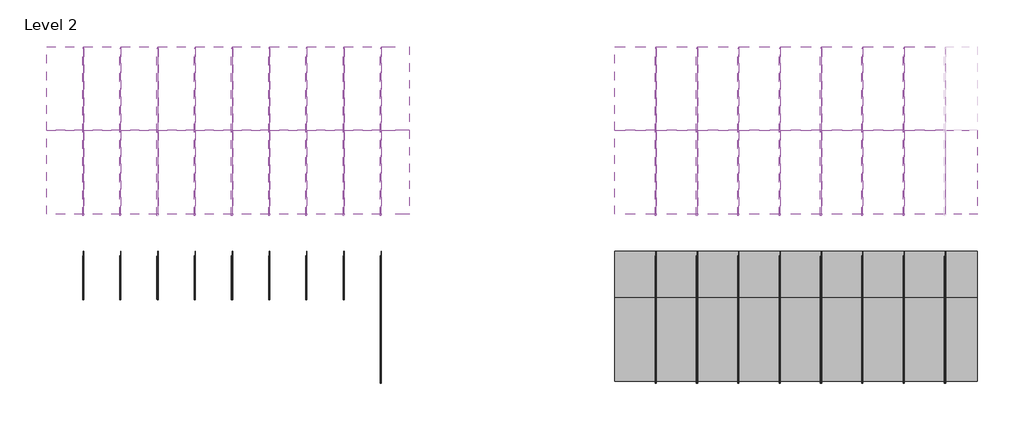
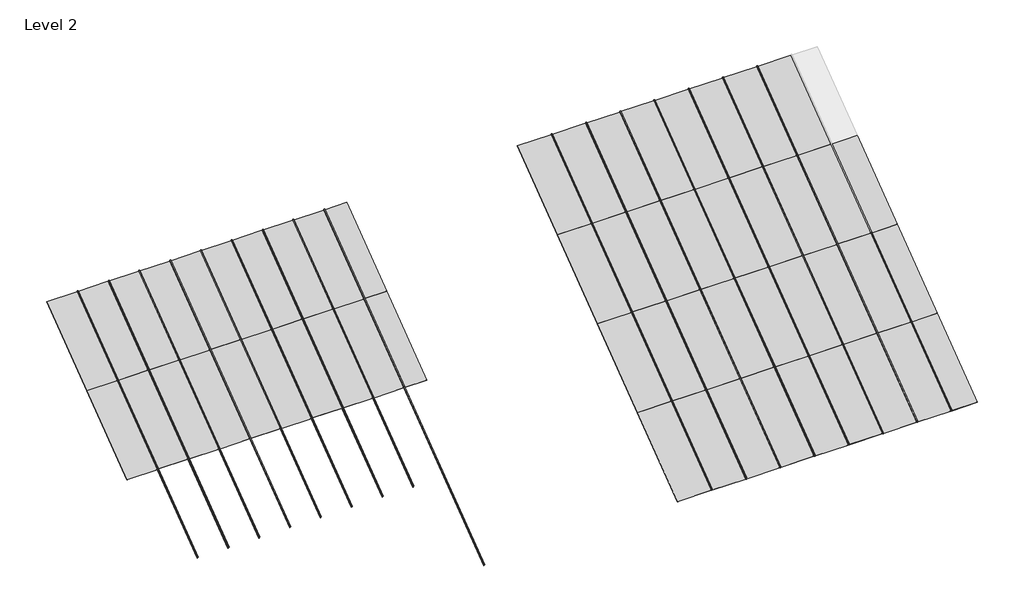
# One storey, part 41 of 177: 58 members, 55 plates.
"""IFC4 building model written with IfcOpenShell, lengths in millimetres."""

import ifcopenshell
import ifcopenshell.guid

model = None  # the IFC model being written
_history = None  # IfcOwnerHistory: only IFC2X3 demands one
_inside = {}  # id of a spatial element -> (the spatial element, [elements in it])
_under = {}  # id of a project, library or spatial element -> (it, [spatial elements below it])
_declared = {}  # id of a project -> (the project, [libraries it declares])
_typed = {}  # id of a type object -> (the type object, [elements of that type])
_made_of = {}  # id of a material, layer set ... -> (it, [elements and type objects made of it])


def new_model(schema):
    """Start an empty IFC model of exactly this schema.

    Asked for "IFC4X3", IfcOpenShell would pick the latest addendum, in which some entities
    have other attributes; the version numbers below select the first issue.
    IFC2X3 requires an IfcOwnerHistory on every rooted entity: one is made here for all.
    """
    global model, _history
    if schema == "IFC4X3":
        model = ifcopenshell.file(schema_version=(4, 3, 0, 0))
    else:
        model = ifcopenshell.file(schema=schema)
    _inside.clear()
    _under.clear()
    _declared.clear()
    _typed.clear()
    _made_of.clear()
    _history = None
    if model.schema == "IFC2X3":
        org = make("IfcOrganization", Name="unknown")
        user = make(
            "IfcPersonAndOrganization",
            ThePerson=make("IfcPerson", FamilyName="unknown"),
            TheOrganization=org,
        )
        app = make(
            "IfcApplication",
            ApplicationDeveloper=org,
            Version="unknown",
            ApplicationFullName="unknown",
            ApplicationIdentifier="unknown",
        )
        _history = make(
            "IfcOwnerHistory",
            OwningUser=user,
            OwningApplication=app,
            ChangeAction="ADDED",
            CreationDate=0,
        )
    return model


def make(cls, **values):
    """One entity of the class cls with the attributes given. An attribute that is None is left unset."""
    return model.create_entity(
        cls, **{name: value for name, value in values.items() if value is not None}
    )


def rooted(cls, **values):
    """An entity with a GlobalId (a new one), such as an element, a storey or a relation."""
    return make(cls, GlobalId=ifcopenshell.guid.new(), OwnerHistory=_history, **values)


def si_unit(unit_type, name, prefix=None):
    """IfcSIUnit, for example si_unit("LENGTHUNIT", "METRE", prefix="MILLI")."""
    return make("IfcSIUnit", UnitType=unit_type, Prefix=prefix, Name=name)


def assignment(units):
    """IfcUnitAssignment: the units of a project."""
    return None if units is None else make("IfcUnitAssignment", Units=units)


def point(xyz):
    """IfcCartesianPoint."""
    return None if xyz is None else make("IfcCartesianPoint", Coordinates=xyz)


def direction(xyz):
    """IfcDirection."""
    return None if xyz is None else make("IfcDirection", DirectionRatios=xyz)


def frame(location, z_axis=None, x_axis=None):
    """IfcAxis2Placement3D, a coordinate frame: its origin and axes. An axis left out is left unset."""
    return make(
        "IfcAxis2Placement3D",
        Location=point(location),
        Axis=direction(z_axis),
        RefDirection=direction(x_axis),
    )


def frame_2d(location, x_axis=None):
    """IfcAxis2Placement2D, a coordinate frame in the plane: its origin and x axis."""
    return make(
        "IfcAxis2Placement2D", Location=point(location), RefDirection=direction(x_axis)
    )


def origin():
    """The frame at (0, 0, 0) with its axes left unset."""
    return frame((0.0, 0.0, 0.0))


def origin_with_axes():
    """The frame at (0, 0, 0) with the z axis (0, 0, 1) and the x axis (1, 0, 0) written out."""
    return frame((0.0, 0.0, 0.0), z_axis=(0.0, 0.0, 1.0), x_axis=(1.0, 0.0, 0.0))


def place(relative_to, where):
    """IfcLocalPlacement: puts the frame where relative to a parent placement (None: the world)."""
    return make(
        "IfcLocalPlacement", PlacementRelTo=relative_to, RelativePlacement=where
    )


def context(
    kind, dimensions, precision=None, world=None, true_north=None, identifier=None
):
    """IfcGeometricRepresentationContext, for example the 3D "Model" context."""
    return make(
        "IfcGeometricRepresentationContext",
        ContextIdentifier=identifier,
        ContextType=kind,
        CoordinateSpaceDimension=dimensions,
        Precision=precision,
        WorldCoordinateSystem=world,
        TrueNorth=true_north,
    )


def project(units=None, contexts=None):
    """IfcProject with its units and contexts."""
    return rooted(
        "IfcProject",
        Name="project",
        RepresentationContexts=contexts,
        UnitsInContext=assignment(units),
    )


def spatial(cls, under=None, at=None, **own):
    """A site, building, storey or space (cls), placed at a placement, below another one or the project."""
    s = rooted(cls, ObjectPlacement=at, **own)
    if under is not None:
        _under.setdefault(under.id(), (under, []))[1].append(s)
    return s


def polyline(points):
    """IfcPolyline through the points."""
    return make("IfcPolyline", Points=[point(p) for p in points])


def circle_curve(where, radius):
    """IfcCircle in the frame where."""
    return make("IfcCircle", Position=where, Radius=radius)


def trimmed(basis, trim1, trim2, sense, master):
    """IfcTrimmedCurve: the piece of a basis curve between two trims."""
    return make(
        "IfcTrimmedCurve",
        BasisCurve=basis,
        Trim1=trim1,
        Trim2=trim2,
        SenseAgreement=sense,
        MasterRepresentation=master,
    )


def segment(curve, same_sense, transition):
    """IfcCompositeCurveSegment."""
    return make(
        "IfcCompositeCurveSegment",
        Transition=transition,
        SameSense=same_sense,
        ParentCurve=curve,
    )


def composite_curve(segments, self_intersect=None):
    """IfcCompositeCurve: segments joined end to end."""
    return make("IfcCompositeCurve", Segments=segments, SelfIntersect=self_intersect)


def outline(outer, holes=None, kind="AREA"):
    """IfcArbitraryClosedProfileDef: a profile drawn as a closed curve; with holes, ...WithVoids."""
    if holes is None:
        return make("IfcArbitraryClosedProfileDef", ProfileType=kind, OuterCurve=outer)
    return make(
        "IfcArbitraryProfileDefWithVoids",
        ProfileType=kind,
        OuterCurve=outer,
        InnerCurves=holes,
    )


def extrude(swept, where, along, depth):
    """IfcExtrudedAreaSolid: the profile swept, set in the frame where, extruded along a direction by depth."""
    return make(
        "IfcExtrudedAreaSolid",
        SweptArea=swept,
        Position=where,
        ExtrudedDirection=direction(along),
        Depth=depth,
    )


def shape(context_of_items, identifier, shape_type, items):
    """IfcShapeRepresentation: the items that make up one representation, for example the "Body"."""
    return make(
        "IfcShapeRepresentation",
        ContextOfItems=context_of_items,
        RepresentationIdentifier=identifier,
        RepresentationType=shape_type,
        Items=items,
    )


def source(mapping_origin, context_of_items, identifier, shape_type, items):
    """IfcRepresentationMap: a shape defined once, which mapped items show again and again."""
    return make(
        "IfcRepresentationMap",
        MappingOrigin=mapping_origin,
        MappedRepresentation=shape(context_of_items, identifier, shape_type, items),
    )


def transform(
    local_origin,
    x_axis=None,
    y_axis=None,
    z_axis=None,
    scale=None,
    scale2=None,
    scale3=None,
    uniform=True,
):
    """IfcCartesianTransformationOperator3D, or its non-uniform kind. x_axis, y_axis, z_axis: its Axis1, 2, 3."""
    if uniform:
        return make(
            "IfcCartesianTransformationOperator3D",
            Axis1=direction(x_axis),
            Axis2=direction(y_axis),
            LocalOrigin=point(local_origin),
            Scale=scale,
            Axis3=direction(z_axis),
        )
    return make(
        "IfcCartesianTransformationOperator3DnonUniform",
        Axis1=direction(x_axis),
        Axis2=direction(y_axis),
        LocalOrigin=point(local_origin),
        Scale=scale,
        Axis3=direction(z_axis),
        Scale2=scale2,
        Scale3=scale3,
    )


def mapped(mapping_source, mapping_target):
    """IfcMappedItem: shows the shape of a source again, moved by a transform."""
    return make(
        "IfcMappedItem", MappingSource=mapping_source, MappingTarget=mapping_target
    )


def made_of(thing, what):
    """Note that an element or type object is made of a material, layer set ...; save() writes the relation."""
    if what is not None:
        _made_of.setdefault(what.id(), (what, []))[1].append(thing)
    return thing


def element(
    cls,
    number,
    at=None,
    inside=None,
    cuts=None,
    type_object=None,
    material=None,
    context=None,
    identifier="Body",
    shape_type=None,
    held_by="IfcProductDefinitionShape",
    body=None,
    shapes=None,
    **own,
):
    """One element of the class cls, such as IfcWall. Its Tag is "e" and its number.

    at: its placement. inside: the storey or other place that contains it. cuts: it is an
    opening in that element (IfcRelVoidsElement). A single representation is given by context,
    identifier, shape_type and body (its items); several are given by shapes. held_by: the class
    of the entity that holds the representations. save() writes the other relations.
    """
    e = rooted(cls, Tag="e%d" % number, ObjectPlacement=at, **own)
    if body is not None:
        shapes = [shape(context, identifier, shape_type, body)]
    if shapes is not None:
        e.Representation = make(held_by, Representations=shapes)
    if inside is not None:
        _inside.setdefault(inside.id(), (inside, []))[1].append(e)
    if cuts is not None:
        rooted(
            "IfcRelVoidsElement", RelatingBuildingElement=cuts, RelatedOpeningElement=e
        )
    if type_object is not None:
        _typed.setdefault(type_object.id(), (type_object, []))[1].append(e)
    return made_of(e, material)


def aggregate(whole, parts):
    """IfcRelAggregates: a whole, such as a stair, and the parts it consists of."""
    return rooted("IfcRelAggregates", RelatingObject=whole, RelatedObjects=parts)


def save(model, path):
    """Write the relations noted so far, then the file.

    IfcRelAggregates (storeys below a building ...), IfcRelContainedInSpatialStructure (elements
    in a storey), IfcRelDefinesByType, IfcRelAssociatesMaterial and IfcRelDeclares: one each for
    every whole, place, type object, material and project.
    """
    for whole, parts in _under.values():
        aggregate(whole, parts)
    for where, things in _inside.values():
        rooted(
            "IfcRelContainedInSpatialStructure",
            RelatedElements=things,
            RelatingStructure=where,
        )
    for kind, things in _typed.values():
        rooted("IfcRelDefinesByType", RelatedObjects=things, RelatingType=kind)
    for what, things in _made_of.values():
        rooted("IfcRelAssociatesMaterial", RelatedObjects=things, RelatingMaterial=what)
    for by, libraries in _declared.values():
        rooted("IfcRelDeclares", RelatingContext=by, RelatedDefinitions=libraries)
    model.write(path)


def rectangular_mullion_59d29c64(model_context):
    return source(origin(), model_context, "Body", "SweptSolid", [
        extrude(outline(composite_curve([segment(polyline([(-1.651, -33.918525), (-1.651, 0.396875), (1.778, 0.396875), (1.778, -36.458525)]), True, "CONTINUOUS"), segment(trimmed(circle_curve(frame_2d((-0.762, -36.458525)), 2.54), [point((1.778, -36.458525))], [point((-0.762, -38.998525))], False, "CARTESIAN"), True, "CONTINUOUS"), segment(polyline([(-0.762, -38.998525), (-10.16, -38.998525)]), True, "CONTINUOUS"), segment(trimmed(circle_curve(frame_2d((-10.16, -36.458525)), 2.54), [point((-10.16, -38.998525))], [point((-10.16, -33.918525))], False, "CARTESIAN"), True, "CONTINUOUS"), segment(polyline([(-10.16, -33.918525), (-1.651, -33.918525)]), True, "CONTINUOUS")], self_intersect=False)), frame((0.0, 0.0, -1285.875), z_axis=(0.0, 0.0, 1.0), x_axis=(1.0, 0.0, 0.0)), (0.0, 0.0, 1.0), 1285.875),
    ])


def system_panel_9b4cd433(model_context):
    return source(origin(), model_context, "Body", "SweptSolid", [
        extrude(outline(polyline([(195.5165, -0.2480469), (-195.5165, -0.2480469), (-195.5165, 0.2480469), (195.5165, 0.2480469), (195.5165, -0.2480469)])), origin_with_axes(), (0.0, 0.0, 1.0), 1285.875),
    ])


def system_panel_8a7700cc(model_context):
    return source(origin(), model_context, "Body", "SweptSolid", [
        extrude(outline(polyline([(226.9490002, -0.2480469), (-226.9490002, -0.2480469), (-226.9490002, 0.2480469), (226.9490002, 0.2480469), (226.9490002, -0.2480469)])), origin_with_axes(), (0.0, 0.0, 1.0), 1285.875),
    ])


def system_panel_4355e656(model_context):
    return source(origin(), model_context, "Body", "SweptSolid", [
        extrude(outline(polyline([(226.8855, -0.2480469), (-226.8855, -0.2480469), (-226.8855, 0.2480469), (226.8855, 0.2480469), (226.8855, -0.2480469)])), origin_with_axes(), (0.0, 0.0, 1.0), 1285.875),
    ])


def system_panel_11a4934e(model_context):
    return source(origin(), model_context, "Body", "SweptSolid", [
        extrude(outline(polyline([(170.1165, -0.2480469), (-170.1165, -0.2480469), (-170.1165, 0.2480469), (170.1165, 0.2480469), (170.1165, -0.2480469)])), origin_with_axes(), (0.0, 0.0, 1.0), 1285.875),
    ])


def system_panel_8caa74b3(model_context):
    return source(origin(), model_context, "Body", "SweptSolid", [
        extrude(outline(polyline([(252.3490002, -0.2480469), (-252.3490002, -0.2480469), (-252.3490002, 0.2480469), (252.3490002, 0.2480469), (252.3490002, -0.2480469)])), origin_with_axes(), (0.0, 0.0, 1.0), 1285.875),
    ])


def system_panel_01006fc9(model_context):
    return source(origin(), model_context, "Body", "SweptSolid", [
        extrude(outline(polyline([(252.2855, -0.2480469), (-252.2855, -0.2480469), (-252.2855, 0.2480469), (252.2855, 0.2480469), (252.2855, -0.2480469)])), origin_with_axes(), (0.0, 0.0, 1.0), 1285.875),
    ])


model = new_model("IFC4")

# Units and contexts
model_context = context("Model", 3, world=origin())
ifc_project = project(units=[si_unit("LENGTHUNIT", "METRE", prefix="MILLI")], contexts=[model_context])

# Site, building, storey
site = spatial("IfcSite", under=ifc_project)
building = spatial("IfcBuilding", under=site)
storey = spatial("IfcBuildingStorey", under=building, Name="Level 2", Elevation=3048.0)

# Members
placement = place(None, origin())
rectangular_mullion_shape = rectangular_mullion_59d29c64(model_context)
element("IfcMember", 1, ObjectType="Rectangular Mullion", at=placement, inside=storey, context=model_context, shape_type="MappedRepresentation", body=[
    mapped(rectangular_mullion_shape, transform((145668.0738425, 38963.0083739, 6134.1), x_axis=(1.0, 0.0, 0.0), y_axis=(0.0, 0.6000000000000011, -0.7999999999999992), z_axis=(0.0, 0.7999999999999992, 0.6000000000000011))),
])
element("IfcMember", 2, ObjectType="Rectangular Mullion", at=placement, inside=storey, context=model_context, shape_type="MappedRepresentation", body=[
    mapped(rectangular_mullion_shape, transform((146125.2738425, 38963.0083739, 6134.1), x_axis=(1.0, 0.0, 0.0), y_axis=(0.0, 0.6000000000000011, -0.7999999999999992), z_axis=(0.0, 0.7999999999999992, 0.6000000000000011))),
])
element("IfcMember", 3, ObjectType="Rectangular Mullion", at=placement, inside=storey, context=model_context, shape_type="MappedRepresentation", body=[
    mapped(rectangular_mullion_shape, transform((146582.4738425, 38963.0083739, 6134.1), x_axis=(1.0, 0.0, 0.0), y_axis=(0.0, 0.6000000000000011, -0.7999999999999992), z_axis=(0.0, 0.7999999999999992, 0.6000000000000011))),
])
element("IfcMember", 4, ObjectType="Rectangular Mullion", at=placement, inside=storey, context=model_context, shape_type="MappedRepresentation", body=[
    mapped(rectangular_mullion_shape, transform((147039.6738425, 38963.0083739, 6134.1), x_axis=(1.0, 0.0, 0.0), y_axis=(0.0, 0.6000000000000011, -0.7999999999999992), z_axis=(0.0, 0.7999999999999992, 0.6000000000000011))),
])
element("IfcMember", 5, ObjectType="Rectangular Mullion", at=placement, inside=storey, context=model_context, shape_type="MappedRepresentation", body=[
    mapped(rectangular_mullion_shape, transform((147496.8738425, 38963.0083739, 6134.1), x_axis=(1.0, 0.0, 0.0), y_axis=(0.0, 0.6000000000000011, -0.7999999999999992), z_axis=(0.0, 0.7999999999999992, 0.6000000000000011))),
])
element("IfcMember", 6, ObjectType="Rectangular Mullion", at=placement, inside=storey, context=model_context, shape_type="MappedRepresentation", body=[
    mapped(rectangular_mullion_shape, transform((147954.0738425, 38963.0083739, 6134.1), x_axis=(1.0, 0.0, 0.0), y_axis=(0.0, 0.6000000000000011, -0.7999999999999992), z_axis=(0.0, 0.7999999999999992, 0.6000000000000011))),
])
element("IfcMember", 7, ObjectType="Rectangular Mullion", at=placement, inside=storey, context=model_context, shape_type="MappedRepresentation", body=[
    mapped(rectangular_mullion_shape, transform((148411.2738425, 38963.0083739, 6134.1), x_axis=(1.0, 0.0, 0.0), y_axis=(0.0, 0.6000000000000011, -0.7999999999999992), z_axis=(0.0, 0.7999999999999992, 0.6000000000000011))),
])
element("IfcMember", 8, ObjectType="Rectangular Mullion", at=placement, inside=storey, context=model_context, shape_type="MappedRepresentation", body=[
    mapped(rectangular_mullion_shape, transform((148868.4738425, 38963.0083739, 6134.1), x_axis=(1.0, 0.0, 0.0), y_axis=(0.0, 0.6000000000000011, -0.7999999999999992), z_axis=(0.0, 0.7999999999999992, 0.6000000000000011))),
])
element("IfcMember", 9, ObjectType="Rectangular Mullion", at=placement, inside=storey, context=model_context, shape_type="MappedRepresentation", body=[
    mapped(rectangular_mullion_shape, transform((149325.6738425, 38963.0083739, 6134.1), x_axis=(1.0, 0.0, 0.0), y_axis=(0.0, 0.6000000000000011, -0.7999999999999992), z_axis=(0.0, 0.7999999999999992, 0.6000000000000011))),
])
element("IfcMember", 10, ObjectType="Rectangular Mullion", at=placement, inside=storey, context=model_context, shape_type="MappedRepresentation", body=[
    mapped(rectangular_mullion_shape, transform((152703.8738425, 38963.0083739, 6134.1), x_axis=(1.0, 0.0, 0.0), y_axis=(0.0, 0.6000000000000011, -0.7999999999999992), z_axis=(0.0, 0.7999999999999992, 0.6000000000000011))),
])
element("IfcMember", 11, ObjectType="Rectangular Mullion", at=placement, inside=storey, context=model_context, shape_type="MappedRepresentation", body=[
    mapped(rectangular_mullion_shape, transform((153211.8738425, 38963.0083739, 6134.1), x_axis=(1.0, 0.0, 0.0), y_axis=(0.0, 0.6000000000000011, -0.7999999999999992), z_axis=(0.0, 0.7999999999999992, 0.6000000000000011))),
])
element("IfcMember", 12, ObjectType="Rectangular Mullion", at=placement, inside=storey, context=model_context, shape_type="MappedRepresentation", body=[
    mapped(rectangular_mullion_shape, transform((153719.8738425, 38963.0083739, 6134.1), x_axis=(1.0, 0.0, 0.0), y_axis=(0.0, 0.6000000000000011, -0.7999999999999992), z_axis=(0.0, 0.7999999999999992, 0.6000000000000011))),
])
element("IfcMember", 13, ObjectType="Rectangular Mullion", at=placement, inside=storey, context=model_context, shape_type="MappedRepresentation", body=[
    mapped(rectangular_mullion_shape, transform((154227.8738425, 38963.0083739, 6134.1), x_axis=(1.0, 0.0, 0.0), y_axis=(0.0, 0.6000000000000011, -0.7999999999999992), z_axis=(0.0, 0.7999999999999992, 0.6000000000000011))),
])
element("IfcMember", 14, ObjectType="Rectangular Mullion", at=placement, inside=storey, context=model_context, shape_type="MappedRepresentation", body=[
    mapped(rectangular_mullion_shape, transform((154735.8738425, 38963.0083739, 6134.1), x_axis=(1.0, 0.0, 0.0), y_axis=(0.0, 0.6000000000000011, -0.7999999999999992), z_axis=(0.0, 0.7999999999999992, 0.6000000000000011))),
])
element("IfcMember", 15, ObjectType="Rectangular Mullion", at=placement, inside=storey, context=model_context, shape_type="MappedRepresentation", body=[
    mapped(rectangular_mullion_shape, transform((155243.8738425, 38963.0083739, 6134.1), x_axis=(1.0, 0.0, 0.0), y_axis=(0.0, 0.6000000000000011, -0.7999999999999992), z_axis=(0.0, 0.7999999999999992, 0.6000000000000011))),
])
element("IfcMember", 16, ObjectType="Rectangular Mullion", at=placement, inside=storey, context=model_context, shape_type="MappedRepresentation", body=[
    mapped(rectangular_mullion_shape, transform((155751.8738425, 38963.0083739, 6134.1), x_axis=(1.0, 0.0, 0.0), y_axis=(0.0, 0.6000000000000011, -0.7999999999999992), z_axis=(0.0, 0.7999999999999992, 0.6000000000000011))),
])
element("IfcMember", 17, ObjectType="Rectangular Mullion", at=placement, inside=storey, context=model_context, shape_type="MappedRepresentation", body=[
    mapped(rectangular_mullion_shape, transform((149325.6738425, 35876.9083739, 3819.525), x_axis=(1.0, 0.0, 0.0), y_axis=(0.0, 0.6000000000000008, -0.7999999999999994), z_axis=(0.0, 0.7999999999999994, 0.6000000000000008))),
])
element("IfcMember", 18, ObjectType="Rectangular Mullion", at=placement, inside=storey, context=model_context, shape_type="MappedRepresentation", body=[
    mapped(rectangular_mullion_shape, transform((152703.8738425, 35876.9083739, 3819.525), x_axis=(1.0, 0.0, 0.0), y_axis=(0.0, 0.6000000000000008, -0.7999999999999994), z_axis=(0.0, 0.7999999999999994, 0.6000000000000008))),
])
element("IfcMember", 19, ObjectType="Rectangular Mullion", at=placement, inside=storey, context=model_context, shape_type="MappedRepresentation", body=[
    mapped(rectangular_mullion_shape, transform((153211.8738425, 35876.9083739, 3819.525), x_axis=(1.0, 0.0, 0.0), y_axis=(0.0, 0.6000000000000008, -0.7999999999999994), z_axis=(0.0, 0.7999999999999994, 0.6000000000000008))),
])
element("IfcMember", 20, ObjectType="Rectangular Mullion", at=placement, inside=storey, context=model_context, shape_type="MappedRepresentation", body=[
    mapped(rectangular_mullion_shape, transform((153719.8738425, 35876.9083739, 3819.525), x_axis=(1.0, 0.0, 0.0), y_axis=(0.0, 0.6000000000000008, -0.7999999999999994), z_axis=(0.0, 0.7999999999999994, 0.6000000000000008))),
])
element("IfcMember", 21, ObjectType="Rectangular Mullion", at=placement, inside=storey, context=model_context, shape_type="MappedRepresentation", body=[
    mapped(rectangular_mullion_shape, transform((154227.8738425, 35876.9083739, 3819.525), x_axis=(1.0, 0.0, 0.0), y_axis=(0.0, 0.6000000000000008, -0.7999999999999994), z_axis=(0.0, 0.7999999999999994, 0.6000000000000008))),
])
element("IfcMember", 22, ObjectType="Rectangular Mullion", at=placement, inside=storey, context=model_context, shape_type="MappedRepresentation", body=[
    mapped(rectangular_mullion_shape, transform((154735.8738425, 35876.9083739, 3819.525), x_axis=(1.0, 0.0, 0.0), y_axis=(0.0, 0.6000000000000008, -0.7999999999999994), z_axis=(0.0, 0.7999999999999994, 0.6000000000000008))),
])
element("IfcMember", 23, ObjectType="Rectangular Mullion", at=placement, inside=storey, context=model_context, shape_type="MappedRepresentation", body=[
    mapped(rectangular_mullion_shape, transform((155243.8738425, 35876.9083739, 3819.525), x_axis=(1.0, 0.0, 0.0), y_axis=(0.0, 0.6000000000000008, -0.7999999999999994), z_axis=(0.0, 0.7999999999999994, 0.6000000000000008))),
])
element("IfcMember", 24, ObjectType="Rectangular Mullion", at=placement, inside=storey, context=model_context, shape_type="MappedRepresentation", body=[
    mapped(rectangular_mullion_shape, transform((155751.8738425, 35876.9083739, 3819.525), x_axis=(1.0, 0.0, 0.0), y_axis=(0.0, 0.6000000000000008, -0.7999999999999994), z_axis=(0.0, 0.7999999999999994, 0.6000000000000008))),
])
element("IfcMember", 25, ObjectType="Rectangular Mullion", at=placement, inside=storey, context=model_context, shape_type="MappedRepresentation", body=[
    mapped(rectangular_mullion_shape, transform((156259.8738425, 35876.9083739, 3819.525), x_axis=(1.0, 0.0, 0.0), y_axis=(0.0, 0.6000000000000008, -0.7999999999999994), z_axis=(0.0, 0.7999999999999994, 0.6000000000000008))),
])
element("IfcMember", 26, ObjectType="Rectangular Mullion", at=placement, inside=storey, context=model_context, shape_type="MappedRepresentation", body=[
    mapped(rectangular_mullion_shape, transform((145668.0738425, 36905.6083739, 4591.05), x_axis=(1.0, 0.0, 0.0), y_axis=(0.0, 0.6000000000000016, -0.7999999999999988), z_axis=(0.0, 0.7999999999999988, 0.6000000000000016))),
])
element("IfcMember", 27, ObjectType="Rectangular Mullion", at=placement, inside=storey, context=model_context, shape_type="MappedRepresentation", body=[
    mapped(rectangular_mullion_shape, transform((146125.2738425, 36905.6083739, 4591.05), x_axis=(1.0, 0.0, 0.0), y_axis=(0.0, 0.6000000000000016, -0.7999999999999988), z_axis=(0.0, 0.7999999999999988, 0.6000000000000016))),
])
element("IfcMember", 28, ObjectType="Rectangular Mullion", at=placement, inside=storey, context=model_context, shape_type="MappedRepresentation", body=[
    mapped(rectangular_mullion_shape, transform((145668.0738425, 37934.3083739, 5362.575), x_axis=(1.0, 0.0, 0.0), y_axis=(0.0, 0.6000000000000011, -0.7999999999999992), z_axis=(0.0, 0.7999999999999992, 0.6000000000000011))),
])
element("IfcMember", 29, ObjectType="Rectangular Mullion", at=placement, inside=storey, context=model_context, shape_type="MappedRepresentation", body=[
    mapped(rectangular_mullion_shape, transform((146125.2738425, 37934.3083739, 5362.575), x_axis=(1.0, 0.0, 0.0), y_axis=(0.0, 0.6000000000000011, -0.7999999999999992), z_axis=(0.0, 0.7999999999999992, 0.6000000000000011))),
])
element("IfcMember", 30, ObjectType="Rectangular Mullion", at=placement, inside=storey, context=model_context, shape_type="MappedRepresentation", body=[
    mapped(rectangular_mullion_shape, transform((146582.4738425, 36905.6083739, 4591.05), x_axis=(1.0, 0.0, 0.0), y_axis=(0.0, 0.6000000000000016, -0.7999999999999988), z_axis=(0.0, 0.7999999999999988, 0.6000000000000016))),
])
element("IfcMember", 31, ObjectType="Rectangular Mullion", at=placement, inside=storey, context=model_context, shape_type="MappedRepresentation", body=[
    mapped(rectangular_mullion_shape, transform((147039.6738425, 36905.6083739, 4591.05), x_axis=(1.0, 0.0, 0.0), y_axis=(0.0, 0.6000000000000016, -0.7999999999999988), z_axis=(0.0, 0.7999999999999988, 0.6000000000000016))),
])
element("IfcMember", 32, ObjectType="Rectangular Mullion", at=placement, inside=storey, context=model_context, shape_type="MappedRepresentation", body=[
    mapped(rectangular_mullion_shape, transform((147496.8738425, 36905.6083739, 4591.05), x_axis=(1.0, 0.0, 0.0), y_axis=(0.0, 0.6000000000000016, -0.7999999999999988), z_axis=(0.0, 0.7999999999999988, 0.6000000000000016))),
])
element("IfcMember", 33, ObjectType="Rectangular Mullion", at=placement, inside=storey, context=model_context, shape_type="MappedRepresentation", body=[
    mapped(rectangular_mullion_shape, transform((147954.0738425, 36905.6083739, 4591.05), x_axis=(1.0, 0.0, 0.0), y_axis=(0.0, 0.6000000000000016, -0.7999999999999988), z_axis=(0.0, 0.7999999999999988, 0.6000000000000016))),
])
element("IfcMember", 34, ObjectType="Rectangular Mullion", at=placement, inside=storey, context=model_context, shape_type="MappedRepresentation", body=[
    mapped(rectangular_mullion_shape, transform((148411.2738425, 36905.6083739, 4591.05), x_axis=(1.0, 0.0, 0.0), y_axis=(0.0, 0.6000000000000016, -0.7999999999999988), z_axis=(0.0, 0.7999999999999988, 0.6000000000000016))),
])
element("IfcMember", 35, ObjectType="Rectangular Mullion", at=placement, inside=storey, context=model_context, shape_type="MappedRepresentation", body=[
    mapped(rectangular_mullion_shape, transform((148868.4738425, 36905.6083739, 4591.05), x_axis=(1.0, 0.0, 0.0), y_axis=(0.0, 0.6000000000000016, -0.7999999999999988), z_axis=(0.0, 0.7999999999999988, 0.6000000000000016))),
])
element("IfcMember", 36, ObjectType="Rectangular Mullion", at=placement, inside=storey, context=model_context, shape_type="MappedRepresentation", body=[
    mapped(rectangular_mullion_shape, transform((149325.6738425, 36905.6083739, 4591.05), x_axis=(1.0, 0.0, 0.0), y_axis=(0.0, 0.6000000000000016, -0.7999999999999988), z_axis=(0.0, 0.7999999999999988, 0.6000000000000016))),
])
element("IfcMember", 37, ObjectType="Rectangular Mullion", at=placement, inside=storey, context=model_context, shape_type="MappedRepresentation", body=[
    mapped(rectangular_mullion_shape, transform((146582.4738425, 37934.3083739, 5362.575), x_axis=(1.0, 0.0, 0.0), y_axis=(0.0, 0.6000000000000011, -0.7999999999999992), z_axis=(0.0, 0.7999999999999992, 0.6000000000000011))),
])
element("IfcMember", 38, ObjectType="Rectangular Mullion", at=placement, inside=storey, context=model_context, shape_type="MappedRepresentation", body=[
    mapped(rectangular_mullion_shape, transform((147039.6738425, 37934.3083739, 5362.575), x_axis=(1.0, 0.0, 0.0), y_axis=(0.0, 0.6000000000000011, -0.7999999999999992), z_axis=(0.0, 0.7999999999999992, 0.6000000000000011))),
])
element("IfcMember", 39, ObjectType="Rectangular Mullion", at=placement, inside=storey, context=model_context, shape_type="MappedRepresentation", body=[
    mapped(rectangular_mullion_shape, transform((147496.8738425, 37934.3083739, 5362.575), x_axis=(1.0, 0.0, 0.0), y_axis=(0.0, 0.6000000000000011, -0.7999999999999992), z_axis=(0.0, 0.7999999999999992, 0.6000000000000011))),
])
element("IfcMember", 40, ObjectType="Rectangular Mullion", at=placement, inside=storey, context=model_context, shape_type="MappedRepresentation", body=[
    mapped(rectangular_mullion_shape, transform((147954.0738425, 37934.3083739, 5362.575), x_axis=(1.0, 0.0, 0.0), y_axis=(0.0, 0.6000000000000011, -0.7999999999999992), z_axis=(0.0, 0.7999999999999992, 0.6000000000000011))),
])
element("IfcMember", 41, ObjectType="Rectangular Mullion", at=placement, inside=storey, context=model_context, shape_type="MappedRepresentation", body=[
    mapped(rectangular_mullion_shape, transform((148411.2738425, 37934.3083739, 5362.575), x_axis=(1.0, 0.0, 0.0), y_axis=(0.0, 0.6000000000000011, -0.7999999999999992), z_axis=(0.0, 0.7999999999999992, 0.6000000000000011))),
])
element("IfcMember", 42, ObjectType="Rectangular Mullion", at=placement, inside=storey, context=model_context, shape_type="MappedRepresentation", body=[
    mapped(rectangular_mullion_shape, transform((148868.4738425, 37934.3083739, 5362.575), x_axis=(1.0, 0.0, 0.0), y_axis=(0.0, 0.6000000000000011, -0.7999999999999992), z_axis=(0.0, 0.7999999999999992, 0.6000000000000011))),
])
element("IfcMember", 43, ObjectType="Rectangular Mullion", at=placement, inside=storey, context=model_context, shape_type="MappedRepresentation", body=[
    mapped(rectangular_mullion_shape, transform((149325.6738425, 37934.3083739, 5362.575), x_axis=(1.0, 0.0, 0.0), y_axis=(0.0, 0.6000000000000011, -0.7999999999999992), z_axis=(0.0, 0.7999999999999992, 0.6000000000000011))),
])
element("IfcMember", 44, ObjectType="Rectangular Mullion", at=placement, inside=storey, context=model_context, shape_type="MappedRepresentation", body=[
    mapped(rectangular_mullion_shape, transform((152703.8738425, 36905.6083739, 4591.05), x_axis=(1.0, 0.0, 0.0), y_axis=(0.0, 0.6000000000000016, -0.7999999999999988), z_axis=(0.0, 0.7999999999999988, 0.6000000000000016))),
])
element("IfcMember", 45, ObjectType="Rectangular Mullion", at=placement, inside=storey, context=model_context, shape_type="MappedRepresentation", body=[
    mapped(rectangular_mullion_shape, transform((153211.8738425, 36905.6083739, 4591.05), x_axis=(1.0, 0.0, 0.0), y_axis=(0.0, 0.6000000000000016, -0.7999999999999988), z_axis=(0.0, 0.7999999999999988, 0.6000000000000016))),
])
element("IfcMember", 46, ObjectType="Rectangular Mullion", at=placement, inside=storey, context=model_context, shape_type="MappedRepresentation", body=[
    mapped(rectangular_mullion_shape, transform((152703.8738425, 37934.3083739, 5362.575), x_axis=(1.0, 0.0, 0.0), y_axis=(0.0, 0.6000000000000011, -0.7999999999999992), z_axis=(0.0, 0.7999999999999992, 0.6000000000000011))),
])
element("IfcMember", 47, ObjectType="Rectangular Mullion", at=placement, inside=storey, context=model_context, shape_type="MappedRepresentation", body=[
    mapped(rectangular_mullion_shape, transform((153211.8738425, 37934.3083739, 5362.575), x_axis=(1.0, 0.0, 0.0), y_axis=(0.0, 0.6000000000000011, -0.7999999999999992), z_axis=(0.0, 0.7999999999999992, 0.6000000000000011))),
])
element("IfcMember", 48, ObjectType="Rectangular Mullion", at=placement, inside=storey, context=model_context, shape_type="MappedRepresentation", body=[
    mapped(rectangular_mullion_shape, transform((153719.8738425, 36905.6083739, 4591.05), x_axis=(1.0, 0.0, 0.0), y_axis=(0.0, 0.6000000000000016, -0.7999999999999988), z_axis=(0.0, 0.7999999999999988, 0.6000000000000016))),
])
element("IfcMember", 49, ObjectType="Rectangular Mullion", at=placement, inside=storey, context=model_context, shape_type="MappedRepresentation", body=[
    mapped(rectangular_mullion_shape, transform((154227.8738425, 36905.6083739, 4591.05), x_axis=(1.0, 0.0, 0.0), y_axis=(0.0, 0.6000000000000016, -0.7999999999999988), z_axis=(0.0, 0.7999999999999988, 0.6000000000000016))),
])
element("IfcMember", 50, ObjectType="Rectangular Mullion", at=placement, inside=storey, context=model_context, shape_type="MappedRepresentation", body=[
    mapped(rectangular_mullion_shape, transform((154735.8738425, 36905.6083739, 4591.05), x_axis=(1.0, 0.0, 0.0), y_axis=(0.0, 0.6000000000000016, -0.7999999999999988), z_axis=(0.0, 0.7999999999999988, 0.6000000000000016))),
])
element("IfcMember", 51, ObjectType="Rectangular Mullion", at=placement, inside=storey, context=model_context, shape_type="MappedRepresentation", body=[
    mapped(rectangular_mullion_shape, transform((155243.8738425, 36905.6083739, 4591.05), x_axis=(1.0, 0.0, 0.0), y_axis=(0.0, 0.6000000000000016, -0.7999999999999988), z_axis=(0.0, 0.7999999999999988, 0.6000000000000016))),
])
element("IfcMember", 52, ObjectType="Rectangular Mullion", at=placement, inside=storey, context=model_context, shape_type="MappedRepresentation", body=[
    mapped(rectangular_mullion_shape, transform((155751.8738425, 36905.6083739, 4591.05), x_axis=(1.0, 0.0, 0.0), y_axis=(0.0, 0.6000000000000016, -0.7999999999999988), z_axis=(0.0, 0.7999999999999988, 0.6000000000000016))),
])
element("IfcMember", 53, ObjectType="Rectangular Mullion", at=placement, inside=storey, context=model_context, shape_type="MappedRepresentation", body=[
    mapped(rectangular_mullion_shape, transform((156259.8738425, 36905.6083739, 4591.05), x_axis=(1.0, 0.0, 0.0), y_axis=(0.0, 0.6000000000000016, -0.7999999999999988), z_axis=(0.0, 0.7999999999999988, 0.6000000000000016))),
])
element("IfcMember", 54, ObjectType="Rectangular Mullion", at=placement, inside=storey, context=model_context, shape_type="MappedRepresentation", body=[
    mapped(rectangular_mullion_shape, transform((153719.8738425, 37934.3083739, 5362.575), x_axis=(1.0, 0.0, 0.0), y_axis=(0.0, 0.6000000000000011, -0.7999999999999992), z_axis=(0.0, 0.7999999999999992, 0.6000000000000011))),
])
element("IfcMember", 55, ObjectType="Rectangular Mullion", at=placement, inside=storey, context=model_context, shape_type="MappedRepresentation", body=[
    mapped(rectangular_mullion_shape, transform((154227.8738425, 37934.3083739, 5362.575), x_axis=(1.0, 0.0, 0.0), y_axis=(0.0, 0.6000000000000011, -0.7999999999999992), z_axis=(0.0, 0.7999999999999992, 0.6000000000000011))),
])
element("IfcMember", 56, ObjectType="Rectangular Mullion", at=placement, inside=storey, context=model_context, shape_type="MappedRepresentation", body=[
    mapped(rectangular_mullion_shape, transform((154735.8738425, 37934.3083739, 5362.575), x_axis=(1.0, 0.0, 0.0), y_axis=(0.0, 0.6000000000000011, -0.7999999999999992), z_axis=(0.0, 0.7999999999999992, 0.6000000000000011))),
])
element("IfcMember", 57, ObjectType="Rectangular Mullion", at=placement, inside=storey, context=model_context, shape_type="MappedRepresentation", body=[
    mapped(rectangular_mullion_shape, transform((155243.8738425, 37934.3083739, 5362.575), x_axis=(1.0, 0.0, 0.0), y_axis=(0.0, 0.6000000000000011, -0.7999999999999992), z_axis=(0.0, 0.7999999999999992, 0.6000000000000011))),
])
element("IfcMember", 58, ObjectType="Rectangular Mullion", at=placement, inside=storey, context=model_context, shape_type="MappedRepresentation", body=[
    mapped(rectangular_mullion_shape, transform((155751.8738425, 37934.3083739, 5362.575), x_axis=(1.0, 0.0, 0.0), y_axis=(0.0, 0.6000000000000011, -0.7999999999999992), z_axis=(0.0, 0.7999999999999992, 0.6000000000000011))),
])

# Plates
system_panel_shape = system_panel_9b4cd433(model_context)
element("IfcPlate", 59, ObjectType="System Panel", at=placement, inside=storey, context=model_context, shape_type="MappedRepresentation", body=[
    mapped(system_panel_shape, transform((156457.1683425, 34848.2083739, 3048.0), x_axis=(1.0, 0.0, 0.0), y_axis=(0.0, 0.6000000000000011, -0.7999999999999992), z_axis=(0.0, 0.7999999999999992, 0.6000000000000011))),
])
element("IfcPlate", 60, ObjectType="System Panel", at=placement, inside=storey, context=model_context, shape_type="MappedRepresentation", body=[
    mapped(system_panel_shape, transform((156457.1683425, 35876.9083739, 3819.525), x_axis=(1.0, 0.0, 0.0), y_axis=(0.0, 0.6000000000000011, -0.7999999999999992), z_axis=(0.0, 0.7999999999999992, 0.6000000000000011))),
])
element("IfcPlate", 61, ObjectType="System Panel", at=placement, inside=storey, context=model_context, shape_type="MappedRepresentation", body=[
    mapped(system_panel_shape, transform((156457.1683425, 36905.6083739, 4591.05), x_axis=(1.0, 0.0, 0.0), y_axis=(0.0, 0.6000000000000011, -0.7999999999999992), z_axis=(0.0, 0.7999999999999992, 0.6000000000000011))),
])
system_panel_2_shape = system_panel_8a7700cc(model_context)
element("IfcPlate", 62, ObjectType="System Panel", at=placement, inside=storey, context=model_context, shape_type="MappedRepresentation", body=[
    mapped(system_panel_2_shape, transform((145439.4738423, 36905.6083739, 4591.05), x_axis=(1.0, 0.0, 0.0), y_axis=(0.0, 0.6000000000000011, -0.7999999999999992), z_axis=(0.0, 0.7999999999999992, 0.6000000000000011))),
])
element("IfcPlate", 63, ObjectType="System Panel", at=placement, inside=storey, context=model_context, shape_type="MappedRepresentation", body=[
    mapped(system_panel_2_shape, transform((145439.4738423, 37934.3083739, 5362.575), x_axis=(1.0, 0.0, 0.0), y_axis=(0.0, 0.6000000000000011, -0.7999999999999992), z_axis=(0.0, 0.7999999999999992, 0.6000000000000011))),
])
system_panel_3_shape = system_panel_4355e656(model_context)
element("IfcPlate", 64, ObjectType="System Panel", at=placement, inside=storey, context=model_context, shape_type="MappedRepresentation", body=[
    mapped(system_panel_3_shape, transform((145896.7373425, 36905.6083739, 4591.05), x_axis=(1.0, 0.0, 0.0), y_axis=(0.0, 0.6000000000000011, -0.7999999999999992), z_axis=(0.0, 0.7999999999999992, 0.6000000000000011))),
])
element("IfcPlate", 65, ObjectType="System Panel", at=placement, inside=storey, context=model_context, shape_type="MappedRepresentation", body=[
    mapped(system_panel_3_shape, transform((146353.9373425, 36905.6083739, 4591.05), x_axis=(1.0, 0.0, 0.0), y_axis=(0.0, 0.6000000000000011, -0.7999999999999992), z_axis=(0.0, 0.7999999999999992, 0.6000000000000011))),
])
element("IfcPlate", 66, ObjectType="System Panel", at=placement, inside=storey, context=model_context, shape_type="MappedRepresentation", body=[
    mapped(system_panel_3_shape, transform((145896.7373425, 37934.3083739, 5362.575), x_axis=(1.0, 0.0, 0.0), y_axis=(0.0, 0.6000000000000011, -0.7999999999999992), z_axis=(0.0, 0.7999999999999992, 0.6000000000000011))),
])
element("IfcPlate", 67, ObjectType="System Panel", at=placement, inside=storey, context=model_context, shape_type="MappedRepresentation", body=[
    mapped(system_panel_3_shape, transform((146353.9373425, 37934.3083739, 5362.575), x_axis=(1.0, 0.0, 0.0), y_axis=(0.0, 0.6000000000000011, -0.7999999999999992), z_axis=(0.0, 0.7999999999999992, 0.6000000000000011))),
])
element("IfcPlate", 68, ObjectType="System Panel", at=placement, inside=storey, context=model_context, shape_type="MappedRepresentation", body=[
    mapped(system_panel_3_shape, transform((146811.1373425, 36905.6083739, 4591.05), x_axis=(1.0, 0.0, 0.0), y_axis=(0.0, 0.6000000000000011, -0.7999999999999992), z_axis=(0.0, 0.7999999999999992, 0.6000000000000011))),
])
element("IfcPlate", 69, ObjectType="System Panel", at=placement, inside=storey, context=model_context, shape_type="MappedRepresentation", body=[
    mapped(system_panel_3_shape, transform((146811.1373425, 37934.3083739, 5362.575), x_axis=(1.0, 0.0, 0.0), y_axis=(0.0, 0.6000000000000011, -0.7999999999999992), z_axis=(0.0, 0.7999999999999992, 0.6000000000000011))),
])
element("IfcPlate", 70, ObjectType="System Panel", at=placement, inside=storey, context=model_context, shape_type="MappedRepresentation", body=[
    mapped(system_panel_3_shape, transform((147268.3373425, 36905.6083739, 4591.05), x_axis=(1.0, 0.0, 0.0), y_axis=(0.0, 0.6000000000000011, -0.7999999999999992), z_axis=(0.0, 0.7999999999999992, 0.6000000000000011))),
])
element("IfcPlate", 71, ObjectType="System Panel", at=placement, inside=storey, context=model_context, shape_type="MappedRepresentation", body=[
    mapped(system_panel_3_shape, transform((147268.3373425, 37934.3083739, 5362.575), x_axis=(1.0, 0.0, 0.0), y_axis=(0.0, 0.6000000000000011, -0.7999999999999992), z_axis=(0.0, 0.7999999999999992, 0.6000000000000011))),
])
element("IfcPlate", 72, ObjectType="System Panel", at=placement, inside=storey, context=model_context, shape_type="MappedRepresentation", body=[
    mapped(system_panel_3_shape, transform((147725.5373425, 36905.6083739, 4591.05), x_axis=(1.0, 0.0, 0.0), y_axis=(0.0, 0.6000000000000011, -0.7999999999999992), z_axis=(0.0, 0.7999999999999992, 0.6000000000000011))),
])
element("IfcPlate", 73, ObjectType="System Panel", at=placement, inside=storey, context=model_context, shape_type="MappedRepresentation", body=[
    mapped(system_panel_3_shape, transform((147725.5373425, 37934.3083739, 5362.575), x_axis=(1.0, 0.0, 0.0), y_axis=(0.0, 0.6000000000000011, -0.7999999999999992), z_axis=(0.0, 0.7999999999999992, 0.6000000000000011))),
])
element("IfcPlate", 74, ObjectType="System Panel", at=placement, inside=storey, context=model_context, shape_type="MappedRepresentation", body=[
    mapped(system_panel_3_shape, transform((148182.7373425, 36905.6083739, 4591.05), x_axis=(1.0, 0.0, 0.0), y_axis=(0.0, 0.6000000000000011, -0.7999999999999992), z_axis=(0.0, 0.7999999999999992, 0.6000000000000011))),
])
element("IfcPlate", 75, ObjectType="System Panel", at=placement, inside=storey, context=model_context, shape_type="MappedRepresentation", body=[
    mapped(system_panel_3_shape, transform((148182.7373425, 37934.3083739, 5362.575), x_axis=(1.0, 0.0, 0.0), y_axis=(0.0, 0.6000000000000011, -0.7999999999999992), z_axis=(0.0, 0.7999999999999992, 0.6000000000000011))),
])
element("IfcPlate", 76, ObjectType="System Panel", at=placement, inside=storey, context=model_context, shape_type="MappedRepresentation", body=[
    mapped(system_panel_3_shape, transform((148639.9373425, 36905.6083739, 4591.05), x_axis=(1.0, 0.0, 0.0), y_axis=(0.0, 0.6000000000000011, -0.7999999999999992), z_axis=(0.0, 0.7999999999999992, 0.6000000000000011))),
])
element("IfcPlate", 77, ObjectType="System Panel", at=placement, inside=storey, context=model_context, shape_type="MappedRepresentation", body=[
    mapped(system_panel_3_shape, transform((148639.9373425, 37934.3083739, 5362.575), x_axis=(1.0, 0.0, 0.0), y_axis=(0.0, 0.6000000000000011, -0.7999999999999992), z_axis=(0.0, 0.7999999999999992, 0.6000000000000011))),
])
element("IfcPlate", 78, ObjectType="System Panel", at=placement, inside=storey, context=model_context, shape_type="MappedRepresentation", body=[
    mapped(system_panel_3_shape, transform((149097.1373425, 36905.6083739, 4591.05), x_axis=(1.0, 0.0, 0.0), y_axis=(0.0, 0.6000000000000011, -0.7999999999999992), z_axis=(0.0, 0.7999999999999992, 0.6000000000000011))),
])
element("IfcPlate", 79, ObjectType="System Panel", at=placement, inside=storey, context=model_context, shape_type="MappedRepresentation", body=[
    mapped(system_panel_3_shape, transform((149097.1373425, 37934.3083739, 5362.575), x_axis=(1.0, 0.0, 0.0), y_axis=(0.0, 0.6000000000000011, -0.7999999999999992), z_axis=(0.0, 0.7999999999999992, 0.6000000000000011))),
])
system_panel_4_shape = system_panel_11a4934e(model_context)
element("IfcPlate", 80, ObjectType="System Panel", at=placement, inside=storey, context=model_context, shape_type="MappedRepresentation", body=[
    mapped(system_panel_4_shape, transform((149497.5683425, 36905.6083739, 4591.05), x_axis=(1.0, 0.0, 0.0), y_axis=(0.0, 0.6000000000000011, -0.7999999999999992), z_axis=(0.0, 0.7999999999999992, 0.6000000000000011))),
])
element("IfcPlate", 81, ObjectType="System Panel", at=placement, inside=storey, context=model_context, shape_type="MappedRepresentation", body=[
    mapped(system_panel_4_shape, transform((149497.5683425, 37934.3083739, 5362.575), x_axis=(1.0, 0.0, 0.0), y_axis=(0.0, 0.6000000000000011, -0.7999999999999992), z_axis=(0.0, 0.7999999999999992, 0.6000000000000011))),
])
system_panel_5_shape = system_panel_8caa74b3(model_context)
element("IfcPlate", 82, ObjectType="System Panel", at=placement, inside=storey, context=model_context, shape_type="MappedRepresentation", body=[
    mapped(system_panel_5_shape, transform((152449.8738423, 34848.2083739, 3048.0), x_axis=(1.0, 0.0, 0.0), y_axis=(0.0, 0.6000000000000011, -0.7999999999999992), z_axis=(0.0, 0.7999999999999992, 0.6000000000000011))),
])
element("IfcPlate", 83, ObjectType="System Panel", at=placement, inside=storey, context=model_context, shape_type="MappedRepresentation", body=[
    mapped(system_panel_5_shape, transform((152449.8738423, 35876.9083739, 3819.525), x_axis=(1.0, 0.0, 0.0), y_axis=(0.0, 0.6000000000000011, -0.7999999999999992), z_axis=(0.0, 0.7999999999999992, 0.6000000000000011))),
])
element("IfcPlate", 84, ObjectType="System Panel", at=placement, inside=storey, context=model_context, shape_type="MappedRepresentation", body=[
    mapped(system_panel_5_shape, transform((152449.8738423, 36905.6083739, 4591.05), x_axis=(1.0, 0.0, 0.0), y_axis=(0.0, 0.6000000000000011, -0.7999999999999992), z_axis=(0.0, 0.7999999999999992, 0.6000000000000011))),
])
element("IfcPlate", 85, ObjectType="System Panel", at=placement, inside=storey, context=model_context, shape_type="MappedRepresentation", body=[
    mapped(system_panel_5_shape, transform((152449.8738423, 37934.3083739, 5362.575), x_axis=(1.0, 0.0, 0.0), y_axis=(0.0, 0.6000000000000011, -0.7999999999999992), z_axis=(0.0, 0.7999999999999992, 0.6000000000000011))),
])
system_panel_6_shape = system_panel_01006fc9(model_context)
element("IfcPlate", 86, ObjectType="System Panel", at=placement, inside=storey, context=model_context, shape_type="MappedRepresentation", body=[
    mapped(system_panel_6_shape, transform((152957.9373425, 34848.2083739, 3048.0), x_axis=(1.0, 0.0, 0.0), y_axis=(0.0, 0.6000000000000011, -0.7999999999999992), z_axis=(0.0, 0.7999999999999992, 0.6000000000000011))),
])
element("IfcPlate", 87, ObjectType="System Panel", at=placement, inside=storey, context=model_context, shape_type="MappedRepresentation", body=[
    mapped(system_panel_6_shape, transform((153465.9373425, 34848.2083739, 3048.0), x_axis=(1.0, 0.0, 0.0), y_axis=(0.0, 0.6000000000000011, -0.7999999999999992), z_axis=(0.0, 0.7999999999999992, 0.6000000000000011))),
])
element("IfcPlate", 88, ObjectType="System Panel", at=placement, inside=storey, context=model_context, shape_type="MappedRepresentation", body=[
    mapped(system_panel_6_shape, transform((152957.9373425, 35876.9083739, 3819.525), x_axis=(1.0, 0.0, 0.0), y_axis=(0.0, 0.6000000000000011, -0.7999999999999992), z_axis=(0.0, 0.7999999999999992, 0.6000000000000011))),
])
element("IfcPlate", 89, ObjectType="System Panel", at=placement, inside=storey, context=model_context, shape_type="MappedRepresentation", body=[
    mapped(system_panel_6_shape, transform((153465.9373425, 35876.9083739, 3819.525), x_axis=(1.0, 0.0, 0.0), y_axis=(0.0, 0.6000000000000011, -0.7999999999999992), z_axis=(0.0, 0.7999999999999992, 0.6000000000000011))),
])
element("IfcPlate", 90, ObjectType="System Panel", at=placement, inside=storey, context=model_context, shape_type="MappedRepresentation", body=[
    mapped(system_panel_6_shape, transform((152957.9373425, 36905.6083739, 4591.05), x_axis=(1.0, 0.0, 0.0), y_axis=(0.0, 0.6000000000000011, -0.7999999999999992), z_axis=(0.0, 0.7999999999999992, 0.6000000000000011))),
])
element("IfcPlate", 91, ObjectType="System Panel", at=placement, inside=storey, context=model_context, shape_type="MappedRepresentation", body=[
    mapped(system_panel_6_shape, transform((153465.9373425, 36905.6083739, 4591.05), x_axis=(1.0, 0.0, 0.0), y_axis=(0.0, 0.6000000000000011, -0.7999999999999992), z_axis=(0.0, 0.7999999999999992, 0.6000000000000011))),
])
element("IfcPlate", 92, ObjectType="System Panel", at=placement, inside=storey, context=model_context, shape_type="MappedRepresentation", body=[
    mapped(system_panel_6_shape, transform((152957.9373425, 37934.3083739, 5362.575), x_axis=(1.0, 0.0, 0.0), y_axis=(0.0, 0.6000000000000011, -0.7999999999999992), z_axis=(0.0, 0.7999999999999992, 0.6000000000000011))),
])
element("IfcPlate", 93, ObjectType="System Panel", at=placement, inside=storey, context=model_context, shape_type="MappedRepresentation", body=[
    mapped(system_panel_6_shape, transform((153465.9373425, 37934.3083739, 5362.575), x_axis=(1.0, 0.0, 0.0), y_axis=(0.0, 0.6000000000000011, -0.7999999999999992), z_axis=(0.0, 0.7999999999999992, 0.6000000000000011))),
])
element("IfcPlate", 94, ObjectType="System Panel", at=placement, inside=storey, context=model_context, shape_type="MappedRepresentation", body=[
    mapped(system_panel_6_shape, transform((153973.9373425, 34848.2083739, 3048.0), x_axis=(1.0, 0.0, 0.0), y_axis=(0.0, 0.6000000000000011, -0.7999999999999992), z_axis=(0.0, 0.7999999999999992, 0.6000000000000011))),
])
element("IfcPlate", 95, ObjectType="System Panel", at=placement, inside=storey, context=model_context, shape_type="MappedRepresentation", body=[
    mapped(system_panel_6_shape, transform((153973.9373425, 35876.9083739, 3819.525), x_axis=(1.0, 0.0, 0.0), y_axis=(0.0, 0.6000000000000011, -0.7999999999999992), z_axis=(0.0, 0.7999999999999992, 0.6000000000000011))),
])
element("IfcPlate", 96, ObjectType="System Panel", at=placement, inside=storey, context=model_context, shape_type="MappedRepresentation", body=[
    mapped(system_panel_6_shape, transform((153973.9373425, 36905.6083739, 4591.05), x_axis=(1.0, 0.0, 0.0), y_axis=(0.0, 0.6000000000000011, -0.7999999999999992), z_axis=(0.0, 0.7999999999999992, 0.6000000000000011))),
])
element("IfcPlate", 97, ObjectType="System Panel", at=placement, inside=storey, context=model_context, shape_type="MappedRepresentation", body=[
    mapped(system_panel_6_shape, transform((153973.9373425, 37934.3083739, 5362.575), x_axis=(1.0, 0.0, 0.0), y_axis=(0.0, 0.6000000000000011, -0.7999999999999992), z_axis=(0.0, 0.7999999999999992, 0.6000000000000011))),
])
element("IfcPlate", 98, ObjectType="System Panel", at=placement, inside=storey, context=model_context, shape_type="MappedRepresentation", body=[
    mapped(system_panel_6_shape, transform((154481.9373425, 34848.2083739, 3048.0), x_axis=(1.0, 0.0, 0.0), y_axis=(0.0, 0.6000000000000011, -0.7999999999999992), z_axis=(0.0, 0.7999999999999992, 0.6000000000000011))),
])
element("IfcPlate", 99, ObjectType="System Panel", at=placement, inside=storey, context=model_context, shape_type="MappedRepresentation", body=[
    mapped(system_panel_6_shape, transform((154481.9373425, 35876.9083739, 3819.525), x_axis=(1.0, 0.0, 0.0), y_axis=(0.0, 0.6000000000000011, -0.7999999999999992), z_axis=(0.0, 0.7999999999999992, 0.6000000000000011))),
])
element("IfcPlate", 100, ObjectType="System Panel", at=placement, inside=storey, context=model_context, shape_type="MappedRepresentation", body=[
    mapped(system_panel_6_shape, transform((154481.9373425, 36905.6083739, 4591.05), x_axis=(1.0, 0.0, 0.0), y_axis=(0.0, 0.6000000000000011, -0.7999999999999992), z_axis=(0.0, 0.7999999999999992, 0.6000000000000011))),
])
element("IfcPlate", 101, ObjectType="System Panel", at=placement, inside=storey, context=model_context, shape_type="MappedRepresentation", body=[
    mapped(system_panel_6_shape, transform((154481.9373425, 37934.3083739, 5362.575), x_axis=(1.0, 0.0, 0.0), y_axis=(0.0, 0.6000000000000011, -0.7999999999999992), z_axis=(0.0, 0.7999999999999992, 0.6000000000000011))),
])
element("IfcPlate", 102, ObjectType="System Panel", at=placement, inside=storey, context=model_context, shape_type="MappedRepresentation", body=[
    mapped(system_panel_6_shape, transform((154989.9373425, 34848.2083739, 3048.0), x_axis=(1.0, 0.0, 0.0), y_axis=(0.0, 0.6000000000000011, -0.7999999999999992), z_axis=(0.0, 0.7999999999999992, 0.6000000000000011))),
])
element("IfcPlate", 103, ObjectType="System Panel", at=placement, inside=storey, context=model_context, shape_type="MappedRepresentation", body=[
    mapped(system_panel_6_shape, transform((154989.9373425, 35876.9083739, 3819.525), x_axis=(1.0, 0.0, 0.0), y_axis=(0.0, 0.6000000000000011, -0.7999999999999992), z_axis=(0.0, 0.7999999999999992, 0.6000000000000011))),
])
element("IfcPlate", 104, ObjectType="System Panel", at=placement, inside=storey, context=model_context, shape_type="MappedRepresentation", body=[
    mapped(system_panel_6_shape, transform((154989.9373425, 36905.6083739, 4591.05), x_axis=(1.0, 0.0, 0.0), y_axis=(0.0, 0.6000000000000011, -0.7999999999999992), z_axis=(0.0, 0.7999999999999992, 0.6000000000000011))),
])
element("IfcPlate", 105, ObjectType="System Panel", at=placement, inside=storey, context=model_context, shape_type="MappedRepresentation", body=[
    mapped(system_panel_6_shape, transform((154989.9373425, 37934.3083739, 5362.575), x_axis=(1.0, 0.0, 0.0), y_axis=(0.0, 0.6000000000000011, -0.7999999999999992), z_axis=(0.0, 0.7999999999999992, 0.6000000000000011))),
])
element("IfcPlate", 106, ObjectType="System Panel", at=placement, inside=storey, context=model_context, shape_type="MappedRepresentation", body=[
    mapped(system_panel_6_shape, transform((155497.9373425, 34848.2083739, 3048.0), x_axis=(1.0, 0.0, 0.0), y_axis=(0.0, 0.6000000000000011, -0.7999999999999992), z_axis=(0.0, 0.7999999999999992, 0.6000000000000011))),
])
element("IfcPlate", 107, ObjectType="System Panel", at=placement, inside=storey, context=model_context, shape_type="MappedRepresentation", body=[
    mapped(system_panel_6_shape, transform((155497.9373425, 35876.9083739, 3819.525), x_axis=(1.0, 0.0, 0.0), y_axis=(0.0, 0.6000000000000011, -0.7999999999999992), z_axis=(0.0, 0.7999999999999992, 0.6000000000000011))),
])
element("IfcPlate", 108, ObjectType="System Panel", at=placement, inside=storey, context=model_context, shape_type="MappedRepresentation", body=[
    mapped(system_panel_6_shape, transform((155497.9373425, 36905.6083739, 4591.05), x_axis=(1.0, 0.0, 0.0), y_axis=(0.0, 0.6000000000000011, -0.7999999999999992), z_axis=(0.0, 0.7999999999999992, 0.6000000000000011))),
])
element("IfcPlate", 109, ObjectType="System Panel", at=placement, inside=storey, context=model_context, shape_type="MappedRepresentation", body=[
    mapped(system_panel_6_shape, transform((155497.9373425, 37934.3083739, 5362.575), x_axis=(1.0, 0.0, 0.0), y_axis=(0.0, 0.6000000000000011, -0.7999999999999992), z_axis=(0.0, 0.7999999999999992, 0.6000000000000011))),
])
element("IfcPlate", 110, ObjectType="System Panel", at=placement, inside=storey, context=model_context, shape_type="MappedRepresentation", body=[
    mapped(system_panel_6_shape, transform((156005.9373425, 34848.2083739, 3048.0), x_axis=(1.0, 0.0, 0.0), y_axis=(0.0, 0.6000000000000011, -0.7999999999999992), z_axis=(0.0, 0.7999999999999992, 0.6000000000000011))),
])
element("IfcPlate", 111, ObjectType="System Panel", at=placement, inside=storey, context=model_context, shape_type="MappedRepresentation", body=[
    mapped(system_panel_6_shape, transform((156005.9373425, 35876.9083739, 3819.525), x_axis=(1.0, 0.0, 0.0), y_axis=(0.0, 0.6000000000000011, -0.7999999999999992), z_axis=(0.0, 0.7999999999999992, 0.6000000000000011))),
])
element("IfcPlate", 112, ObjectType="System Panel", at=placement, inside=storey, context=model_context, shape_type="MappedRepresentation", body=[
    mapped(system_panel_6_shape, transform((156005.9373425, 36905.6083739, 4591.05), x_axis=(1.0, 0.0, 0.0), y_axis=(0.0, 0.6000000000000011, -0.7999999999999992), z_axis=(0.0, 0.7999999999999992, 0.6000000000000011))),
])
element("IfcPlate", 113, ObjectType="System Panel", at=placement, inside=storey, context=model_context, shape_type="MappedRepresentation", body=[
    mapped(system_panel_6_shape, transform((156005.9373425, 37934.3083739, 5362.575), x_axis=(1.0, 0.0, 0.0), y_axis=(0.0, 0.6000000000000011, -0.7999999999999992), z_axis=(0.0, 0.7999999999999992, 0.6000000000000011))),
])

save(model, "model.ifc")
